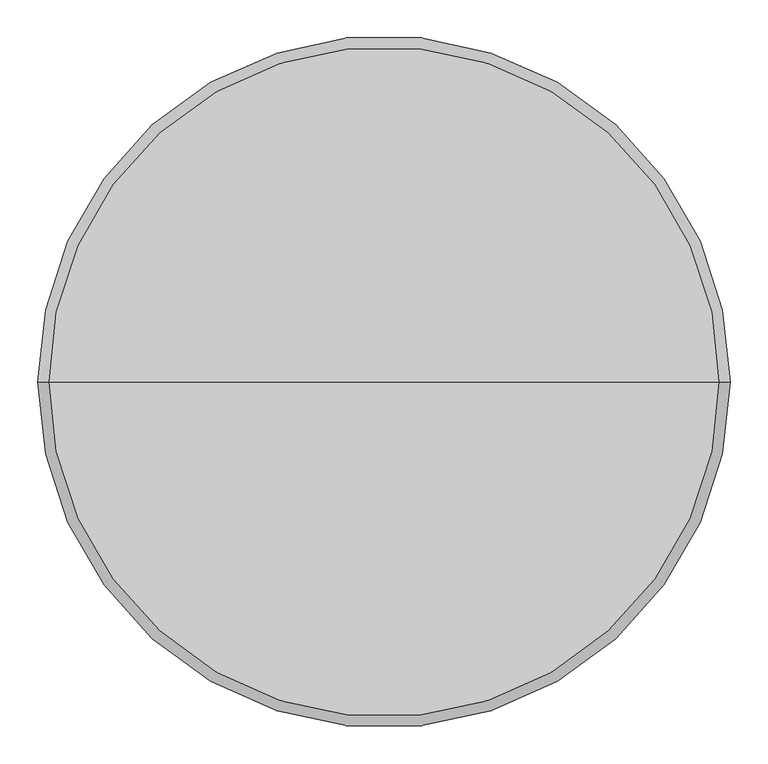
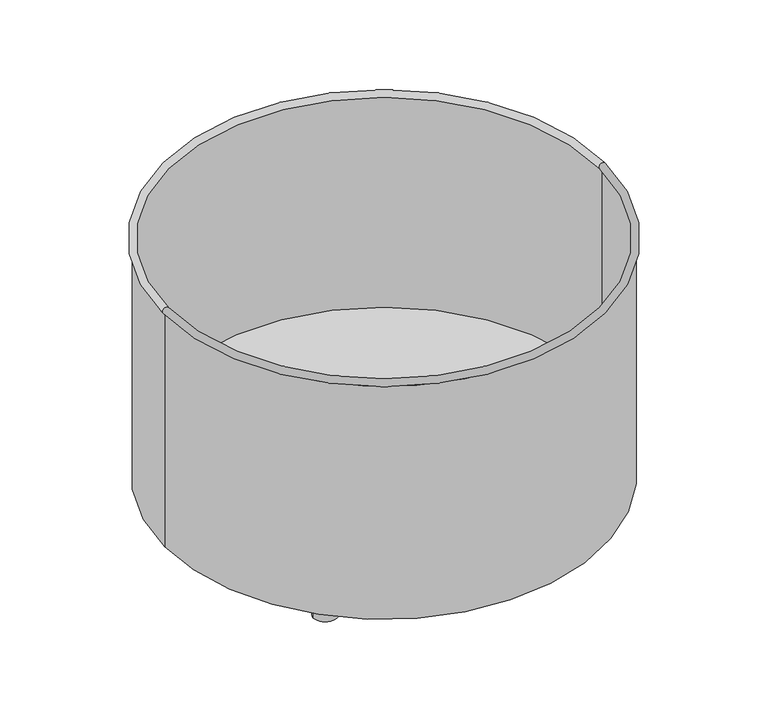
"""IFC4 building model written with IfcOpenShell, lengths in millimetres: furniture geometry."""

from ifc_helpers import new_model, si_unit, point, frame, frame_2d, origin, origin_with_axes, place, context, project, spatial, polyline, circle_curve, ellipse_curve, trimmed, segment, composite_curve, outline, extrude, source, transform, mapped, element, save
from ifc_brep_helpers import plane_surface, cylinder_surface, revolved_surface, advanced_brep


def furniture_1b97d32e(model_context):
    return source(origin(), model_context, "Body", "SolidModel", [
        extrude(outline(composite_curve([segment(trimmed(circle_curve(frame_2d((-286.0066445, -286.087002)), 24.0), [point((-310.0066445, -286.087002))], [point((-262.0066445, -286.087002))], False, "CARTESIAN"), True, "CONTINUOUS"), segment(trimmed(circle_curve(frame_2d((-286.0066445, -286.087002)), 24.0), [point((-262.0066445, -286.087002))], [point((-310.0066445, -286.087002))], False, "CARTESIAN"), True, "CONTINUOUS")], self_intersect=False)), origin_with_axes(), (0.0, 0.0, 1.0), 30.0000195),
        extrude(outline(composite_curve([segment(trimmed(circle_curve(frame_2d((-286.0066445, 286.087002)), 24.0), [point((-310.0066445, 286.087002))], [point((-262.0066445, 286.087002))], False, "CARTESIAN"), True, "CONTINUOUS"), segment(trimmed(circle_curve(frame_2d((-286.0066445, 286.087002)), 24.0), [point((-262.0066445, 286.087002))], [point((-310.0066445, 286.087002))], False, "CARTESIAN"), True, "CONTINUOUS")], self_intersect=False)), origin_with_axes(), (0.0, 0.0, 1.0), 30.0000195),
        extrude(outline(composite_curve([segment(trimmed(circle_curve(frame_2d((286.0066445, -286.087002)), 24.0), [point((310.0066445, -286.087002))], [point((262.0066445, -286.087002))], False, "CARTESIAN"), True, "CONTINUOUS"), segment(trimmed(circle_curve(frame_2d((286.0066445, -286.087002)), 24.0), [point((262.0066445, -286.087002))], [point((310.0066445, -286.087002))], False, "CARTESIAN"), True, "CONTINUOUS")], self_intersect=False)), origin_with_axes(), (0.0, 0.0, 1.0), 30.0000195),
        extrude(outline(composite_curve([segment(trimmed(circle_curve(frame_2d((286.0066445, 286.087002)), 24.0), [point((310.0066445, 286.087002))], [point((262.0066445, 286.087002))], False, "CARTESIAN"), True, "CONTINUOUS"), segment(trimmed(circle_curve(frame_2d((286.0066445, 286.087002)), 24.0), [point((262.0066445, 286.087002))], [point((310.0066445, 286.087002))], False, "CARTESIAN"), True, "CONTINUOUS")], self_intersect=False)), origin_with_axes(), (0.0, 0.0, 1.0), 30.0000195),
        advanced_brep(
        [(-447.0101323, 0.0, 80.0000195), (447.0101323, 0.0, 80.0000195), (447.0101323, 0.0, 536.1569358), (-447.0101323, 0.0, 536.1569358), (0.0, 0.0, 80.0000195), (-450.0004671, 0.0, 30.0000195), (450.0004671, 0.0, 30.0000195), (0.0, 0.0, 30.0000195), (-450.0004671, 0.0, 536.1562695), (450.0004671, 0.0, 536.1562695)],
        [
            (0, 1, circle_curve(frame((0.0, 0.0, 80.0000195), z_axis=(0.0, 0.0, -1.0), x_axis=(1.0, 0.0, 0.0)), 447.0101323)),
            (1, 2),
            (2, 3, circle_curve(frame((0.0, 0.0, 536.1569358), z_axis=(0.0, 0.0, 1.0), x_axis=(1.0, 0.0, 0.0)), 447.0101323)),
            (3, 0),
            (1, 0, circle_curve(frame((0.0, 0.0, 80.0000195), z_axis=(0.0, 0.0, -1.0), x_axis=(1.0, 0.0, 0.0)), 447.0101323)),
            (3, 2, circle_curve(frame((0.0, 0.0, 536.1569358), z_axis=(0.0, 0.0, 1.0), x_axis=(1.0, 0.0, 0.0)), 447.0101323)),
            (4, 1),
            (0, 4),
            (5, 6, circle_curve(frame((0.0, 0.0, 30.0000195), z_axis=(0.0, 0.0, -1.0), x_axis=(1.0, 0.0, 0.0)), 450.0004671)),
            (6, 7),
            (7, 5),
            (6, 5, circle_curve(frame((0.0, 0.0, 30.0000195), z_axis=(0.0, 0.0, -1.0), x_axis=(1.0, 0.0, 0.0)), 450.0004671)),
            (8, 9, circle_curve(frame((0.0, 0.0, 536.1562695), z_axis=(0.0, 0.0, -1.0), x_axis=(1.0, 0.0, 0.0)), 450.0004671)),
            (9, 6),
            (5, 8),
            (9, 8, circle_curve(frame((0.0, 0.0, 536.1562695), z_axis=(0.0, 0.0, -1.0), x_axis=(1.0, 0.0, 0.0)), 450.0004671)),
            (2, 9, circle_curve(frame((448.5068235, 0.0, 542.995058), z_axis=(0.0, 1.0, 0.0), x_axis=(1.0, 0.0, 0.0)), 7.0)),
            (8, 3, circle_curve(frame((-448.5068235, 0.0, 542.995058), z_axis=(0.0, 1.0, 0.0), x_axis=(-1.0, 0.0, 0.0)), 7.0)),
        ],
        [
            revolved_surface(polyline([(447.0101323, 0.0, 536.1569358000002), (447.0101323, 0.0, 80.00001950000001)]), (0.0, 0.0, 1997.4144888), (0.0, 0.0, 1.0)),
            plane_surface(frame((0.0, 0.0, 80.0000195), z_axis=(0.0, 0.0, 1.0), x_axis=(1.0, 0.0, 0.0))),
            plane_surface(frame((0.0, 0.0, 30.0000195), z_axis=(0.0, 0.0, -1.0), x_axis=(1.0, 0.0, 0.0))),
            cylinder_surface(frame((0.0, 0.0, 1997.4144888), z_axis=(0.0, 0.0, 1.0), x_axis=(1.0, 0.0, 0.0)), 450.0004671),
            revolved_surface(trimmed(ellipse_curve(frame((448.5068235, 0.0, 542.995058), z_axis=(0.0, -1.0, 0.0), x_axis=(1.0, 0.0, 0.0)), 7.0, 7.0), [point((450.0004671, 0.0, 536.1562695))], [point((447.0101323, 0.0, 536.1569358))], True, "CARTESIAN"), (0.0, 0.0, 1997.4144888), (0.0, 0.0, 1.0)),
        ],
        [
            (0, [[1, 2, 3, 4]]),
            (0, [[5, -4, 6, -2]]),
            (1, [[7, -1, 8]]),
            (1, [[-8, -5, -7]]),
            (2, [[9, 10, 11]]),
            (2, [[12, -11, -10]]),
            (3, [[13, 14, -9, 15]]),
            (3, [[16, -15, -12, -14]]),
            (4, [[-3, 17, -13, 18]]),
            (4, [[-6, -18, -16, -17]]),
        ],
    ),
    ])


if __name__ == "__main__":
    model = new_model("IFC4")
    model_context = context("Model", 3, world=origin())
    ifc_project = project(units=[si_unit("LENGTHUNIT", "METRE", prefix="MILLI")], contexts=[model_context])
    site = spatial("IfcSite", under=ifc_project)
    building = spatial("IfcBuilding", under=site)
    placement = place(None, origin())
    furniture_shape = furniture_1b97d32e(model_context)
    element("IfcFurniture", 1, at=placement, inside=building, context=model_context, shape_type="MappedRepresentation", body=[
        mapped(furniture_shape, transform((0.0, 0.0, 0.0), x_axis=(1.0, 0.0, 0.0), y_axis=(0.0, 1.0, 0.0), z_axis=(0.0, 0.0, 1.0))),
    ])
    save(model, "model.ifc")
